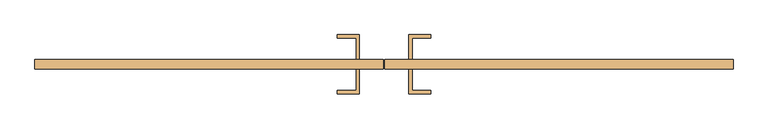
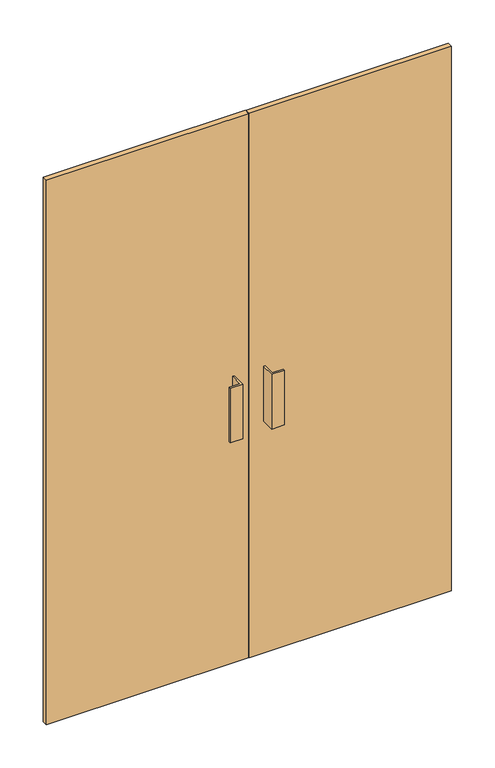
"""IFC4 building model written with IfcOpenShell, lengths in millimetres: door geometry."""

from ifc_helpers import new_model, si_unit, frame, origin, origin_with_axes, place, context, project, spatial, polyline, outline, extrude, source, transform, mapped, element, save


def door_45342dbe(model_context):
    return source(origin(), model_context, "Body", "SweptSolid", [
        extrude(outline(polyline([(-1.5643999, 31.75), (-712.5, 31.75), (-712.5, 50.8), (-1.5643999, 50.8), (-1.5643999, 31.75)])), origin_with_axes(), (0.0, 0.0, 1.0), 2025.0),
        extrude(outline(polyline([(712.5, 31.75), (1.6106001, 31.75), (1.6106001, 50.8), (712.5, 50.8), (712.5, 31.75)])), origin_with_axes(), (0.0, 0.0, 1.0), 2025.0),
        extrude(outline(polyline([(-50.7768999, 101.6), (-50.7768999, 50.8), (-57.1268999, 50.8), (-57.1268999, 95.25), (-95.2268999, 95.25), (-95.2268999, 101.6), (-50.7768999, 101.6)])), frame((0.0, 0.0, 863.6), z_axis=(0.0, 0.0, 1.0), x_axis=(1.0, 0.0, 0.0)), (0.0, 0.0, 1.0), 203.2),
        extrude(outline(polyline([(50.8231001, 101.6), (95.2731001, 101.6), (95.2731001, 95.25), (57.1731001, 95.25), (57.1731001, 50.8), (50.8231001, 50.8), (50.8231001, 101.6)])), frame((0.0, 0.0, 863.6), z_axis=(0.0, 0.0, 1.0), x_axis=(1.0, 0.0, 0.0)), (0.0, 0.0, 1.0), 203.2),
        extrude(outline(polyline([(-50.7768999, -19.05), (-95.2268999, -19.05), (-95.2268999, -12.7), (-57.1268999, -12.7), (-57.1268999, 31.75), (-50.7768999, 31.75), (-50.7768999, -19.05)])), frame((0.0, 0.0, 863.6), z_axis=(0.0, 0.0, 1.0), x_axis=(1.0, 0.0, 0.0)), (0.0, 0.0, 1.0), 203.2),
        extrude(outline(polyline([(50.8231001, -19.05), (50.8231001, 31.75), (57.1731001, 31.75), (57.1731001, -12.7), (95.2731001, -12.7), (95.2731001, -19.05), (50.8231001, -19.05)])), frame((0.0, 0.0, 863.6), z_axis=(0.0, 0.0, 1.0), x_axis=(1.0, 0.0, 0.0)), (0.0, 0.0, 1.0), 203.2),
    ])


if __name__ == "__main__":
    model = new_model("IFC4")
    model_context = context("Model", 3, world=origin())
    ifc_project = project(units=[si_unit("LENGTHUNIT", "METRE", prefix="MILLI")], contexts=[model_context])
    site = spatial("IfcSite", under=ifc_project)
    building = spatial("IfcBuilding", under=site)
    placement = place(None, origin())
    door_shape = door_45342dbe(model_context)
    element("IfcDoor", 1, at=placement, inside=building, context=model_context, shape_type="MappedRepresentation", body=[
        mapped(door_shape, transform((0.0, 0.0, 0.0), x_axis=(1.0, 0.0, 0.0), y_axis=(0.0, 1.0, 0.0), z_axis=(0.0, 0.0, 1.0))),
    ])
    save(model, "model.ifc")
